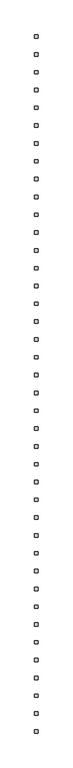
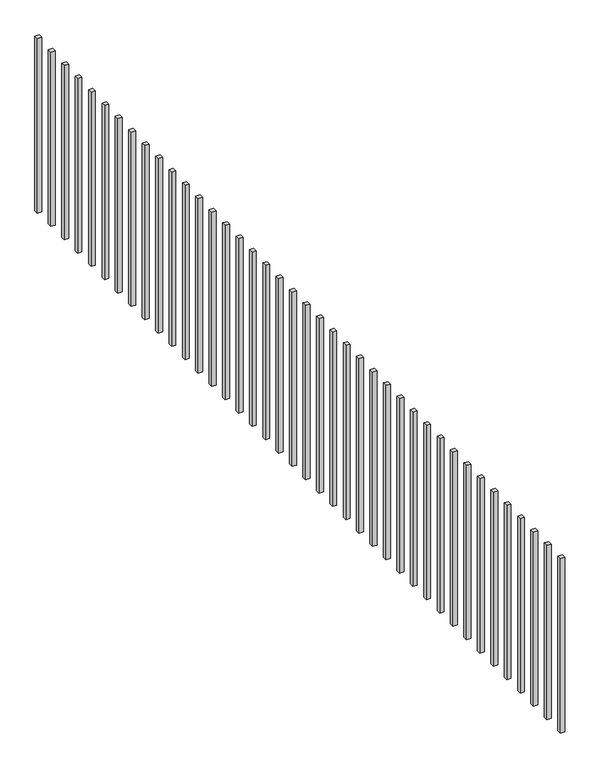
"""IFC4 building model written with IfcOpenShell, lengths in millimetres: railing geometry."""

from ifc_helpers import new_model, si_unit, frame, origin, place, context, project, spatial, polyline, outline, extrude, source, transform, mapped, element, save


def railing_d91bc28f(model_context):
    return source(origin(), model_context, "Body", "SweptSolid", [
        extrude(outline(polyline([(7901.0702321, 6405.7734665), (7901.0702321, 6424.8234665), (7920.1202321, 6424.8234665), (7920.1202321, 6405.7734665), (7901.0702321, 6405.7734665)])), frame((0.0, 0.0, 101.6), z_axis=(0.0, 0.0, 1.0), x_axis=(1.0, 0.0, 0.0)), (0.0, 0.0, 1.0), 812.8),
        extrude(outline(polyline([(7901.0702321, 6303.2441982), (7901.0702321, 6322.2941982), (7920.1202321, 6322.2941982), (7920.1202321, 6303.2441982), (7901.0702321, 6303.2441982)])), frame((0.0, 0.0, 101.6), z_axis=(0.0, 0.0, 1.0), x_axis=(1.0, 0.0, 0.0)), (0.0, 0.0, 1.0), 812.8),
        extrude(outline(polyline([(7901.0702321, 6200.71493), (7901.0702321, 6219.76493), (7920.1202321, 6219.76493), (7920.1202321, 6200.71493), (7901.0702321, 6200.71493)])), frame((0.0, 0.0, 101.6), z_axis=(0.0, 0.0, 1.0), x_axis=(1.0, 0.0, 0.0)), (0.0, 0.0, 1.0), 812.8),
        extrude(outline(polyline([(7901.0702321, 6098.1856617), (7901.0702321, 6117.2356617), (7920.1202321, 6117.2356617), (7920.1202321, 6098.1856617), (7901.0702321, 6098.1856617)])), frame((0.0, 0.0, 101.6), z_axis=(0.0, 0.0, 1.0), x_axis=(1.0, 0.0, 0.0)), (0.0, 0.0, 1.0), 812.8),
        extrude(outline(polyline([(7901.0702321, 5995.6563934), (7901.0702321, 6014.7063934), (7920.1202321, 6014.7063934), (7920.1202321, 5995.6563934), (7901.0702321, 5995.6563934)])), frame((0.0, 0.0, 101.6), z_axis=(0.0, 0.0, 1.0), x_axis=(1.0, 0.0, 0.0)), (0.0, 0.0, 1.0), 812.8),
        extrude(outline(polyline([(7901.0702321, 5893.1271251), (7901.0702321, 5912.1771251), (7920.1202321, 5912.1771251), (7920.1202321, 5893.1271251), (7901.0702321, 5893.1271251)])), frame((0.0, 0.0, 101.6), z_axis=(0.0, 0.0, 1.0), x_axis=(1.0, 0.0, 0.0)), (0.0, 0.0, 1.0), 812.8),
        extrude(outline(polyline([(7901.0702321, 5790.5978568), (7901.0702321, 5809.6478568), (7920.1202321, 5809.6478568), (7920.1202321, 5790.5978568), (7901.0702321, 5790.5978568)])), frame((0.0, 0.0, 101.6), z_axis=(0.0, 0.0, 1.0), x_axis=(1.0, 0.0, 0.0)), (0.0, 0.0, 1.0), 812.8),
        extrude(outline(polyline([(7901.0702321, 5688.0685885), (7901.0702321, 5707.1185885), (7920.1202321, 5707.1185885), (7920.1202321, 5688.0685885), (7901.0702321, 5688.0685885)])), frame((0.0, 0.0, 101.6), z_axis=(0.0, 0.0, 1.0), x_axis=(1.0, 0.0, 0.0)), (0.0, 0.0, 1.0), 812.8),
        extrude(outline(polyline([(7901.0702321, 5585.5393202), (7901.0702321, 5604.5893202), (7920.1202321, 5604.5893202), (7920.1202321, 5585.5393202), (7901.0702321, 5585.5393202)])), frame((0.0, 0.0, 101.6), z_axis=(0.0, 0.0, 1.0), x_axis=(1.0, 0.0, 0.0)), (0.0, 0.0, 1.0), 812.8),
        extrude(outline(polyline([(7901.0702321, 5483.0100519), (7901.0702321, 5502.0600519), (7920.1202321, 5502.0600519), (7920.1202321, 5483.0100519), (7901.0702321, 5483.0100519)])), frame((0.0, 0.0, 101.6), z_axis=(0.0, 0.0, 1.0), x_axis=(1.0, 0.0, 0.0)), (0.0, 0.0, 1.0), 812.8),
        extrude(outline(polyline([(7901.0702321, 5380.4807836), (7901.0702321, 5399.5307836), (7920.1202321, 5399.5307836), (7920.1202321, 5380.4807836), (7901.0702321, 5380.4807836)])), frame((0.0, 0.0, 101.6), z_axis=(0.0, 0.0, 1.0), x_axis=(1.0, 0.0, 0.0)), (0.0, 0.0, 1.0), 812.8),
        extrude(outline(polyline([(7901.0702321, 5277.9515153), (7901.0702321, 5297.0015153), (7920.1202321, 5297.0015153), (7920.1202321, 5277.9515153), (7901.0702321, 5277.9515153)])), frame((0.0, 0.0, 101.6), z_axis=(0.0, 0.0, 1.0), x_axis=(1.0, 0.0, 0.0)), (0.0, 0.0, 1.0), 812.8),
        extrude(outline(polyline([(7901.0702321, 5175.422247), (7901.0702321, 5194.472247), (7920.1202321, 5194.472247), (7920.1202321, 5175.422247), (7901.0702321, 5175.422247)])), frame((0.0, 0.0, 101.6), z_axis=(0.0, 0.0, 1.0), x_axis=(1.0, 0.0, 0.0)), (0.0, 0.0, 1.0), 812.8),
        extrude(outline(polyline([(7901.0702321, 5072.8929787), (7901.0702321, 5091.9429787), (7920.1202321, 5091.9429787), (7920.1202321, 5072.8929787), (7901.0702321, 5072.8929787)])), frame((0.0, 0.0, 101.6), z_axis=(0.0, 0.0, 1.0), x_axis=(1.0, 0.0, 0.0)), (0.0, 0.0, 1.0), 812.8),
        extrude(outline(polyline([(7901.0702321, 4970.3637104), (7901.0702321, 4989.4137104), (7920.1202321, 4989.4137104), (7920.1202321, 4970.3637104), (7901.0702321, 4970.3637104)])), frame((0.0, 0.0, 101.6), z_axis=(0.0, 0.0, 1.0), x_axis=(1.0, 0.0, 0.0)), (0.0, 0.0, 1.0), 812.8),
        extrude(outline(polyline([(7901.0702321, 4867.8344421), (7901.0702321, 4886.8844421), (7920.1202321, 4886.8844421), (7920.1202321, 4867.8344421), (7901.0702321, 4867.8344421)])), frame((0.0, 0.0, 101.6), z_axis=(0.0, 0.0, 1.0), x_axis=(1.0, 0.0, 0.0)), (0.0, 0.0, 1.0), 812.8),
        extrude(outline(polyline([(7901.0702321, 4765.3051739), (7901.0702321, 4784.3551739), (7920.1202321, 4784.3551739), (7920.1202321, 4765.3051739), (7901.0702321, 4765.3051739)])), frame((0.0, 0.0, 101.6), z_axis=(0.0, 0.0, 1.0), x_axis=(1.0, 0.0, 0.0)), (0.0, 0.0, 1.0), 812.8),
        extrude(outline(polyline([(7901.0702321, 4662.7759056), (7901.0702321, 4681.8259056), (7920.1202321, 4681.8259056), (7920.1202321, 4662.7759056), (7901.0702321, 4662.7759056)])), frame((0.0, 0.0, 101.6), z_axis=(0.0, 0.0, 1.0), x_axis=(1.0, 0.0, 0.0)), (0.0, 0.0, 1.0), 812.8),
        extrude(outline(polyline([(7901.0702321, 4560.2466373), (7901.0702321, 4579.2966373), (7920.1202321, 4579.2966373), (7920.1202321, 4560.2466373), (7901.0702321, 4560.2466373)])), frame((0.0, 0.0, 101.6), z_axis=(0.0, 0.0, 1.0), x_axis=(1.0, 0.0, 0.0)), (0.0, 0.0, 1.0), 812.8),
        extrude(outline(polyline([(7901.0702321, 4457.717369), (7901.0702321, 4476.767369), (7920.1202321, 4476.767369), (7920.1202321, 4457.717369), (7901.0702321, 4457.717369)])), frame((0.0, 0.0, 101.6), z_axis=(0.0, 0.0, 1.0), x_axis=(1.0, 0.0, 0.0)), (0.0, 0.0, 1.0), 812.8),
        extrude(outline(polyline([(7901.0702321, 4355.1881007), (7901.0702321, 4374.2381007), (7920.1202321, 4374.2381007), (7920.1202321, 4355.1881007), (7901.0702321, 4355.1881007)])), frame((0.0, 0.0, 101.6), z_axis=(0.0, 0.0, 1.0), x_axis=(1.0, 0.0, 0.0)), (0.0, 0.0, 1.0), 812.8),
        extrude(outline(polyline([(7901.0702321, 4252.6588324), (7901.0702321, 4271.7088324), (7920.1202321, 4271.7088324), (7920.1202321, 4252.6588324), (7901.0702321, 4252.6588324)])), frame((0.0, 0.0, 101.6), z_axis=(0.0, 0.0, 1.0), x_axis=(1.0, 0.0, 0.0)), (0.0, 0.0, 1.0), 812.8),
        extrude(outline(polyline([(7901.0702321, 4150.1295641), (7901.0702321, 4169.1795641), (7920.1202321, 4169.1795641), (7920.1202321, 4150.1295641), (7901.0702321, 4150.1295641)])), frame((0.0, 0.0, 101.6), z_axis=(0.0, 0.0, 1.0), x_axis=(1.0, 0.0, 0.0)), (0.0, 0.0, 1.0), 812.8),
        extrude(outline(polyline([(7901.0702321, 4047.6002958), (7901.0702321, 4066.6502958), (7920.1202321, 4066.6502958), (7920.1202321, 4047.6002958), (7901.0702321, 4047.6002958)])), frame((0.0, 0.0, 101.6), z_axis=(0.0, 0.0, 1.0), x_axis=(1.0, 0.0, 0.0)), (0.0, 0.0, 1.0), 812.8),
        extrude(outline(polyline([(7901.0702321, 3945.0710275), (7901.0702321, 3964.1210275), (7920.1202321, 3964.1210275), (7920.1202321, 3945.0710275), (7901.0702321, 3945.0710275)])), frame((0.0, 0.0, 101.6), z_axis=(0.0, 0.0, 1.0), x_axis=(1.0, 0.0, 0.0)), (0.0, 0.0, 1.0), 812.8),
        extrude(outline(polyline([(7901.0702321, 3842.5417592), (7901.0702321, 3861.5917592), (7920.1202321, 3861.5917592), (7920.1202321, 3842.5417592), (7901.0702321, 3842.5417592)])), frame((0.0, 0.0, 101.6), z_axis=(0.0, 0.0, 1.0), x_axis=(1.0, 0.0, 0.0)), (0.0, 0.0, 1.0), 812.8),
        extrude(outline(polyline([(7901.0702321, 3740.0124909), (7901.0702321, 3759.0624909), (7920.1202321, 3759.0624909), (7920.1202321, 3740.0124909), (7901.0702321, 3740.0124909)])), frame((0.0, 0.0, 101.6), z_axis=(0.0, 0.0, 1.0), x_axis=(1.0, 0.0, 0.0)), (0.0, 0.0, 1.0), 812.8),
        extrude(outline(polyline([(7901.0702321, 3637.4832226), (7901.0702321, 3656.5332226), (7920.1202321, 3656.5332226), (7920.1202321, 3637.4832226), (7901.0702321, 3637.4832226)])), frame((0.0, 0.0, 101.6), z_axis=(0.0, 0.0, 1.0), x_axis=(1.0, 0.0, 0.0)), (0.0, 0.0, 1.0), 812.8),
        extrude(outline(polyline([(7901.0702321, 3534.9539543), (7901.0702321, 3554.0039543), (7920.1202321, 3554.0039543), (7920.1202321, 3534.9539543), (7901.0702321, 3534.9539543)])), frame((0.0, 0.0, 101.6), z_axis=(0.0, 0.0, 1.0), x_axis=(1.0, 0.0, 0.0)), (0.0, 0.0, 1.0), 812.8),
        extrude(outline(polyline([(7901.0702321, 3432.4246861), (7901.0702321, 3451.4746861), (7920.1202321, 3451.4746861), (7920.1202321, 3432.4246861), (7901.0702321, 3432.4246861)])), frame((0.0, 0.0, 101.6), z_axis=(0.0, 0.0, 1.0), x_axis=(1.0, 0.0, 0.0)), (0.0, 0.0, 1.0), 812.8),
        extrude(outline(polyline([(7901.0702321, 3329.8954178), (7901.0702321, 3348.9454178), (7920.1202321, 3348.9454178), (7920.1202321, 3329.8954178), (7901.0702321, 3329.8954178)])), frame((0.0, 0.0, 101.6), z_axis=(0.0, 0.0, 1.0), x_axis=(1.0, 0.0, 0.0)), (0.0, 0.0, 1.0), 812.8),
        extrude(outline(polyline([(7901.0702321, 3227.3661495), (7901.0702321, 3246.4161495), (7920.1202321, 3246.4161495), (7920.1202321, 3227.3661495), (7901.0702321, 3227.3661495)])), frame((0.0, 0.0, 101.6), z_axis=(0.0, 0.0, 1.0), x_axis=(1.0, 0.0, 0.0)), (0.0, 0.0, 1.0), 812.8),
        extrude(outline(polyline([(7901.0702321, 3124.8368812), (7901.0702321, 3143.8868812), (7920.1202321, 3143.8868812), (7920.1202321, 3124.8368812), (7901.0702321, 3124.8368812)])), frame((0.0, 0.0, 101.6), z_axis=(0.0, 0.0, 1.0), x_axis=(1.0, 0.0, 0.0)), (0.0, 0.0, 1.0), 812.8),
        extrude(outline(polyline([(7901.0702321, 3022.3076129), (7901.0702321, 3041.3576129), (7920.1202321, 3041.3576129), (7920.1202321, 3022.3076129), (7901.0702321, 3022.3076129)])), frame((0.0, 0.0, 101.6), z_axis=(0.0, 0.0, 1.0), x_axis=(1.0, 0.0, 0.0)), (0.0, 0.0, 1.0), 812.8),
        extrude(outline(polyline([(7901.0702321, 2919.7783446), (7901.0702321, 2938.8283446), (7920.1202321, 2938.8283446), (7920.1202321, 2919.7783446), (7901.0702321, 2919.7783446)])), frame((0.0, 0.0, 101.6), z_axis=(0.0, 0.0, 1.0), x_axis=(1.0, 0.0, 0.0)), (0.0, 0.0, 1.0), 812.8),
        extrude(outline(polyline([(7901.0702321, 2817.2490763), (7901.0702321, 2836.2990763), (7920.1202321, 2836.2990763), (7920.1202321, 2817.2490763), (7901.0702321, 2817.2490763)])), frame((0.0, 0.0, 101.6), z_axis=(0.0, 0.0, 1.0), x_axis=(1.0, 0.0, 0.0)), (0.0, 0.0, 1.0), 812.8),
        extrude(outline(polyline([(7901.0702321, 2714.719808), (7901.0702321, 2733.769808), (7920.1202321, 2733.769808), (7920.1202321, 2714.719808), (7901.0702321, 2714.719808)])), frame((0.0, 0.0, 101.6), z_axis=(0.0, 0.0, 1.0), x_axis=(1.0, 0.0, 0.0)), (0.0, 0.0, 1.0), 812.8),
        extrude(outline(polyline([(7901.0702321, 2612.1905397), (7901.0702321, 2631.2405397), (7920.1202321, 2631.2405397), (7920.1202321, 2612.1905397), (7901.0702321, 2612.1905397)])), frame((0.0, 0.0, 101.6), z_axis=(0.0, 0.0, 1.0), x_axis=(1.0, 0.0, 0.0)), (0.0, 0.0, 1.0), 812.8),
        extrude(outline(polyline([(7901.0702321, 2509.6612714), (7901.0702321, 2528.7112714), (7920.1202321, 2528.7112714), (7920.1202321, 2509.6612714), (7901.0702321, 2509.6612714)])), frame((0.0, 0.0, 101.6), z_axis=(0.0, 0.0, 1.0), x_axis=(1.0, 0.0, 0.0)), (0.0, 0.0, 1.0), 812.8),
        extrude(outline(polyline([(7901.0702321, 2407.1320031), (7901.0702321, 2426.1820031), (7920.1202321, 2426.1820031), (7920.1202321, 2407.1320031), (7901.0702321, 2407.1320031)])), frame((0.0, 0.0, 101.6), z_axis=(0.0, 0.0, 1.0), x_axis=(1.0, 0.0, 0.0)), (0.0, 0.0, 1.0), 812.8),
    ])


if __name__ == "__main__":
    model = new_model("IFC4")
    model_context = context("Model", 3, world=origin())
    ifc_project = project(units=[si_unit("LENGTHUNIT", "METRE", prefix="MILLI")], contexts=[model_context])
    site = spatial("IfcSite", under=ifc_project)
    building = spatial("IfcBuilding", under=site)
    placement = place(None, origin())
    railing_shape = railing_d91bc28f(model_context)
    element("IfcRailing", 1, at=placement, inside=building, context=model_context, shape_type="MappedRepresentation", body=[
        mapped(railing_shape, transform((0.0, 0.0, 0.0), x_axis=(1.0, 0.0, 0.0), y_axis=(0.0, 1.0, 0.0), z_axis=(0.0, 0.0, 1.0))),
    ])
    save(model, "model.ifc")
